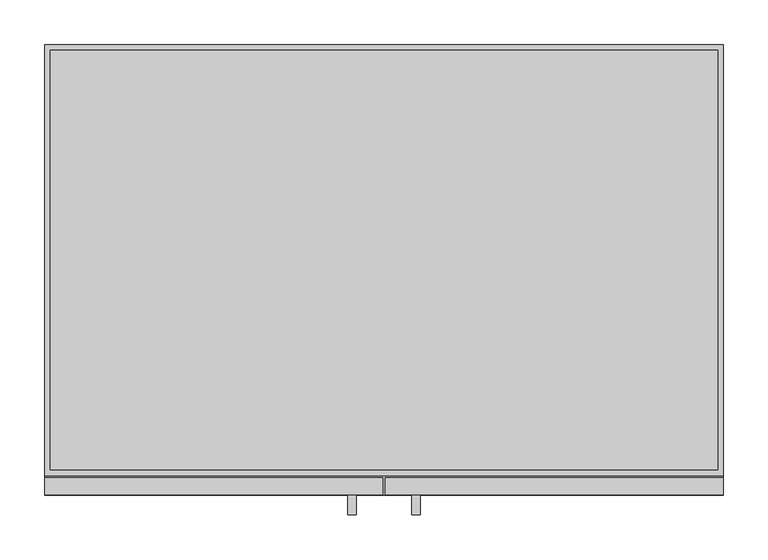
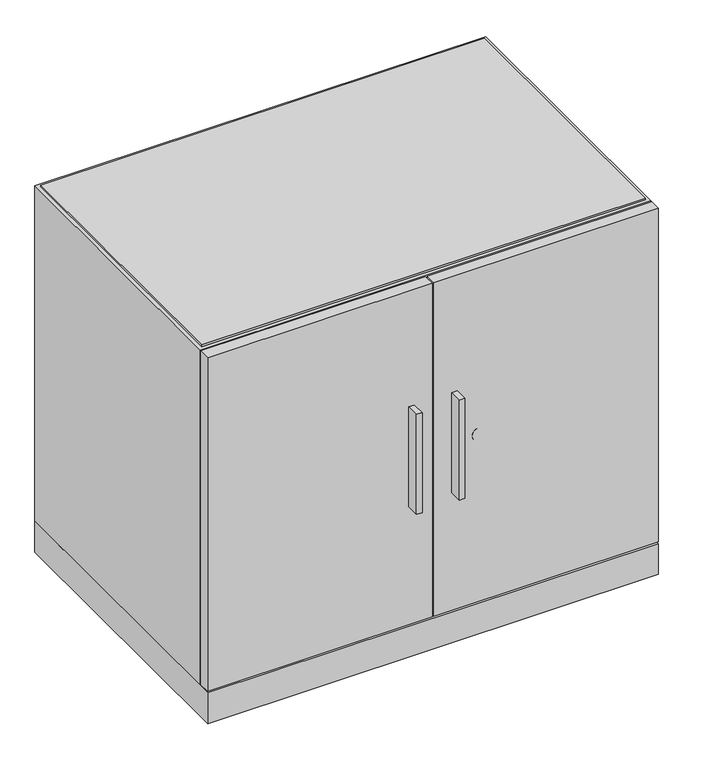
"""IFC4 building model written with IfcOpenShell, lengths in millimetres: furniture geometry."""

from ifc_helpers import new_model, si_unit, point, frame, frame_2d, origin, origin_with_axes, place, context, project, spatial, polyline, circle_curve, trimmed, segment, composite_curve, outline, extrude, faceted_brep, source, transform, mapped, element, save


def furniture_ac225dc7(model_context):
    return source(origin(), model_context, "Body", "SolidModel", [
        extrude(outline(polyline([(340.2965, -527.2278), (340.2965, -505.0028), (349.8215, -505.0028), (349.8215, -527.2278), (340.2965, -527.2278)])), frame((0.0, 0.0, 270.5785861), z_axis=(0.0, 0.0, 1.0), x_axis=(1.0, 0.0, 0.0)), (0.0, 0.0, 1.0), 177.8),
        extrude(outline(polyline([(421.7035, -527.2278), (412.1785, -527.2278), (412.1785, -505.0028), (421.7035, -505.0028), (421.7035, -527.2278)])), frame((0.0, 0.0, 270.5785861), z_axis=(0.0, 0.0, 1.0), x_axis=(1.0, 0.0, 0.0)), (0.0, 0.0, 1.0), 177.8),
        extrude(outline(polyline([(760.4125, -1.524), (760.4125, -505.0028), (1.5875, -505.0028), (1.5875, -1.524), (760.4125, -1.524)])), frame((0.0, 0.0, 3.175), z_axis=(0.0, 0.0, 1.0), x_axis=(1.0, 0.0, 0.0)), (0.0, 0.0, 1.0), 54.74208),
        extrude(outline(polyline([(7.9375, -7.874), (754.0625, -7.874), (754.0625, -476.9358), (7.9375, -476.9358), (7.9375, -7.874)])), frame((0.0, 0.0, 654.81708), z_axis=(0.0, 0.0, 1.0), x_axis=(1.0, 0.0, 0.0)), (0.0, 0.0, 1.0), 3.175),
        extrude(outline(polyline([(1.5875, -485.6988), (379.4125, -485.6988), (379.4125, -505.0028), (1.5875, -505.0028), (1.5875, -485.6988)])), frame((0.0, 0.0, 61.09208), z_axis=(0.0, 0.0, 1.0), x_axis=(1.0, 0.0, 0.0)), (0.0, 0.0, 1.0), 593.725),
        extrude(outline(polyline([(382.5875, -485.6988), (760.4125, -485.6988), (760.4125, -505.0028), (382.5875, -505.0028), (382.5875, -485.6988)])), frame((0.0, 0.0, 61.09208), z_axis=(0.0, 0.0, 1.0), x_axis=(1.0, 0.0, 0.0)), (0.0, 0.0, 1.0), 593.725),
        extrude(outline(composite_curve([segment(trimmed(circle_curve(frame_2d((359.49128, 457.581)), 11.176), [point((359.49128, 468.757))], [point((359.49128, 446.405))], False, "CARTESIAN"), True, "CONTINUOUS"), segment(trimmed(circle_curve(frame_2d((359.49128, 457.581)), 11.176), [point((359.49128, 446.405))], [point((359.49128, 468.757))], False, "CARTESIAN"), True, "CONTINUOUS")], self_intersect=False)), frame((0.0, -505.2568, 0.0), z_axis=(0.0, 1.0, 0.0), x_axis=(0.0, 0.0, 1.0)), (0.0, 0.0, 1.0), 3.34772),
        extrude(outline(polyline([(46.1772, -27.7114), (61.8363, -36.7521856), (61.8363, -54.8337568), (46.1772, -63.8745424), (30.5181, -54.8337568), (30.5181, -36.7521856), (46.1772, -27.7114)])), origin_with_axes(), (0.0, 0.0, 1.0), 8.4328),
        extrude(outline(polyline([(46.1772, -478.8154), (30.5181, -469.7746144), (30.5181, -451.6930432), (46.1772, -442.6522576), (61.8363, -451.6930432), (61.8363, -469.7746144), (46.1772, -478.8154)])), origin_with_axes(), (0.0, 0.0, 1.0), 8.4328),
        extrude(outline(polyline([(715.8228, -27.7114), (731.4819, -36.7521856), (731.4819, -54.8337568), (715.8228, -63.8745424), (700.1637, -54.8337568), (700.1637, -36.7521856), (715.8228, -27.7114)])), origin_with_axes(), (0.0, 0.0, 1.0), 8.4328),
        extrude(outline(polyline([(715.8228, -478.8154), (700.1637, -469.7746144), (700.1637, -451.6930432), (715.8228, -442.6522576), (731.4819, -451.6930432), (731.4819, -469.7746144), (715.8228, -478.8154)])), origin_with_axes(), (0.0, 0.0, 1.0), 8.4328),
        faceted_brep([(760.4125, -483.2858, 654.81708), (1.5875, -483.2858, 654.81708), (1.5875, -483.2858, 57.91708), (20.8915, -483.2858, 57.91708), (20.8915, -483.2858, 635.51308), (741.1085, -483.2858, 635.51308), (741.1085, -483.2858, 57.91708), (760.4125, -483.2858, 57.91708), (760.4125, -1.524, 654.81708), (760.4125, -1.524, 57.91708), (1.5875, -1.524, 57.91708), (1.5875, -1.524, 654.81708), (741.1085, -20.828, 635.51308), (20.8915, -20.828, 635.51308), (20.8915, -20.828, 57.91708), (741.1085, -20.828, 57.91708)], [[[0, 1, 2, 3, 4, 5, 6, 7]], [[8, 9, 10, 11]], [[1, 0, 8, 11]], [[2, 1, 11, 10]], [[0, 7, 9, 8]], [[12, 13, 14, 15]], [[13, 12, 5, 4]], [[14, 13, 4, 3]], [[12, 15, 6, 5]], [[10, 9, 7, 6, 15, 14, 3, 2]]]),
    ])


if __name__ == "__main__":
    model = new_model("IFC4")
    model_context = context("Model", 3, world=origin())
    ifc_project = project(units=[si_unit("LENGTHUNIT", "METRE", prefix="MILLI")], contexts=[model_context])
    site = spatial("IfcSite", under=ifc_project)
    building = spatial("IfcBuilding", under=site)
    placement = place(None, origin())
    furniture_shape = furniture_ac225dc7(model_context)
    element("IfcFurniture", 1, at=placement, inside=building, context=model_context, shape_type="MappedRepresentation", body=[
        mapped(furniture_shape, transform((0.0, 0.0, 0.0), x_axis=(1.0, 0.0, 0.0), y_axis=(0.0, 1.0, 0.0), z_axis=(0.0, 0.0, 1.0))),
    ])
    save(model, "model.ifc")
